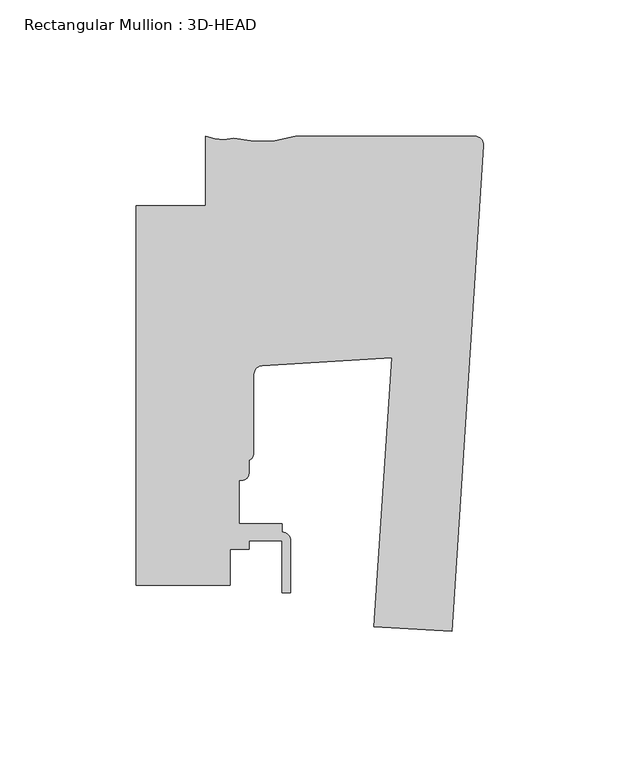
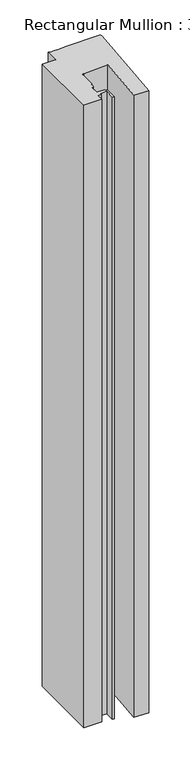
"""IFC4 building model written with IfcOpenShell, lengths in millimetres: member geometry, Rectangular Mullion : 3D-HEAD."""

from ifc_helpers import new_model, si_unit, point, frame, frame_2d, origin, place, context, project, spatial, polyline, circle_curve, trimmed, segment, composite_curve, outline, extrude, source, transform, mapped, element, save


def rectangular_mullion_3d_head_cae3a4b8(model_context):
    return source(origin(), model_context, "Body", "SweptSolid", [
        extrude(outline(composite_curve([segment(polyline([(-11.5383887, -183.9116498), (-40.1652502, -182.4113796), (-33.647817, -83.7374579), (-81.3507626, -86.5806357)]), True, "CONTINUOUS"), segment(trimmed(circle_curve(frame_2d((-81.1875559, -89.7514382)), 3.175), [point((-81.3507626, -86.5806357))], [point((-84.3625559, -89.7514382))], True, "CARTESIAN"), True, "CONTINUOUS"), segment(polyline([(-84.3625559, -89.7514382), (-84.3625559, -118.4629255)]), True, "CONTINUOUS"), segment(trimmed(circle_curve(frame_2d((-87.5375559, -118.4629255)), 3.175), [point((-84.3625559, -118.4629255))], [point((-86.1405562, -121.3140685))], False, "CARTESIAN"), True, "CONTINUOUS"), segment(polyline([(-86.1405562, -121.3140685), (-86.1405562, -126.0450134)]), True, "CONTINUOUS"), segment(trimmed(circle_curve(frame_2d((-88.6805561, -126.0450134)), 2.5399999), [point((-86.1405562, -126.0450134))], [point((-88.6805561, -128.5850133))], False, "CARTESIAN"), True, "CONTINUOUS"), segment(polyline([(-88.6805561, -128.5850133), (-89.8235559, -128.5850133), (-89.8235559, -144.4600133), (-73.9485559, -144.4600133), (-73.9485559, -147.6350307)]), True, "CONTINUOUS"), segment(trimmed(circle_curve(frame_2d((-73.9380354, -150.8100133)), 3.175), [point((-73.9485559, -147.6350307))], [point((-70.7630354, -150.8100133))], False, "CARTESIAN"), True, "CONTINUOUS"), segment(polyline([(-70.7630354, -150.8100133), (-70.7630354, -169.8600133), (-73.9380354, -169.8600133), (-73.9380354, -150.8100133), (-86.1405562, -150.8100133), (-86.1405562, -153.9850133), (-92.9985559, -153.9850133), (-92.9985559, -167.0288125), (-127.4896668, -167.0288125), (-127.4896668, -27.837265), (-102.08978, -27.8367479), (-102.08978, -2.4368125)]), True, "CONTINUOUS"), segment(trimmed(circle_curve(frame_2d((-95.8348398, 13.0962674)), 16.7451739), [point((-102.08978, -2.4368125))], [point((-91.8088828, -3.1577327))], True, "CARTESIAN"), True, "CONTINUOUS"), segment(trimmed(circle_curve(frame_2d((-81.6714448, 38.5783094)), 42.9495617), [point((-91.8088828, -3.1577327))], [point((-68.9268525, -2.4368125))], True, "CARTESIAN"), True, "CONTINUOUS"), segment(polyline([(-68.9268525, -2.4368125), (-3.175, -2.4368125)]), True, "CONTINUOUS"), segment(trimmed(circle_curve(frame_2d((-3.175, -5.6118125)), 3.175), [point((-3.175, -2.4368125))], [point((-0.006635, -5.8169663))], False, "CARTESIAN"), True, "CONTINUOUS"), segment(polyline([(-0.006635, -5.8169663), (-11.5383887, -183.9116498)]), True, "CONTINUOUS")], self_intersect=False)), frame((0.0, 0.0, -1276.0955475), z_axis=(0.0, 0.0, 1.0), x_axis=(1.0, 0.0, 0.0)), (0.0, 0.0, 1.0), 1276.0955475),
    ])


if __name__ == "__main__":
    model = new_model("IFC4")
    model_context = context("Model", 3, world=origin())
    ifc_project = project(units=[si_unit("LENGTHUNIT", "METRE", prefix="MILLI")], contexts=[model_context])
    site = spatial("IfcSite", under=ifc_project)
    building = spatial("IfcBuilding", under=site)
    placement = place(None, origin())
    rectangular_mullion_3d_head_shape = rectangular_mullion_3d_head_cae3a4b8(model_context)
    element("IfcMember", 1, ObjectType="Rectangular Mullion : 3D-HEAD", at=placement, inside=building, context=model_context, shape_type="MappedRepresentation", body=[
        mapped(rectangular_mullion_3d_head_shape, transform((0.0, 0.0, 0.0), x_axis=(1.0, 0.0, 0.0), y_axis=(0.0, 1.0, 0.0), z_axis=(0.0, 0.0, 1.0))),
    ])
    save(model, "model.ifc")
